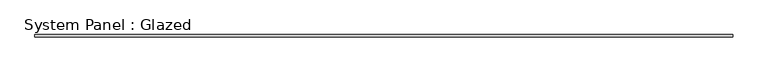
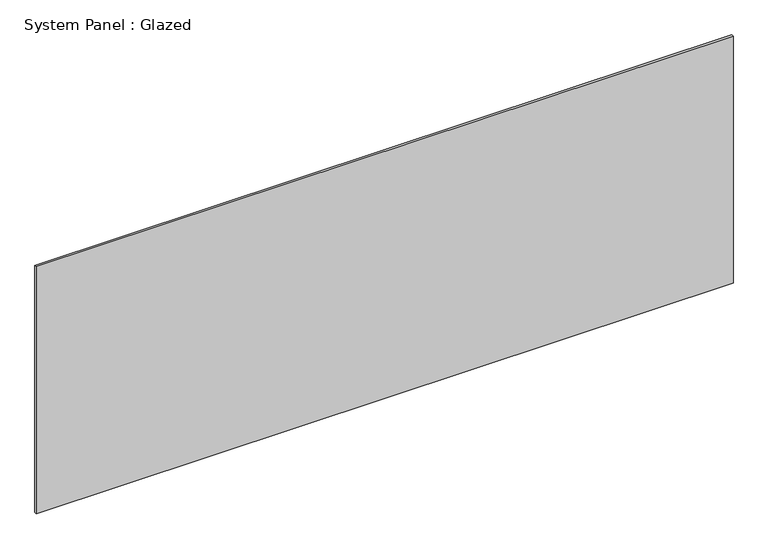
"""IFC4 building model written with IfcOpenShell, lengths in millimetres: plate geometry, System Panel : Glazed."""

from ifc_helpers import new_model, si_unit, origin, origin_with_axes, place, context, project, spatial, polyline, outline, extrude, source, transform, mapped, element, save


def system_panel_glazed_e211e2d3(model_context):
    return source(origin(), model_context, "Body", "SweptSolid", [
        extrude(outline(polyline([(4000.0, 24.5), (-4000.0, 24.5), (-4000.0, 49.5), (4000.0, 49.5), (4000.0, 24.5)])), origin_with_axes(), (0.0, 0.0, 1.0), 3000.0),
    ])


if __name__ == "__main__":
    model = new_model("IFC4")
    model_context = context("Model", 3, world=origin())
    ifc_project = project(units=[si_unit("LENGTHUNIT", "METRE", prefix="MILLI")], contexts=[model_context])
    site = spatial("IfcSite", under=ifc_project)
    building = spatial("IfcBuilding", under=site)
    placement = place(None, origin())
    system_panel_glazed_shape = system_panel_glazed_e211e2d3(model_context)
    element("IfcPlate", 1, ObjectType="System Panel : Glazed", at=placement, inside=building, context=model_context, shape_type="MappedRepresentation", body=[
        mapped(system_panel_glazed_shape, transform((0.0, 0.0, 0.0), x_axis=(1.0, 0.0, 0.0), y_axis=(0.0, 1.0, 0.0), z_axis=(0.0, 0.0, 1.0))),
    ])
    save(model, "model.ifc")
